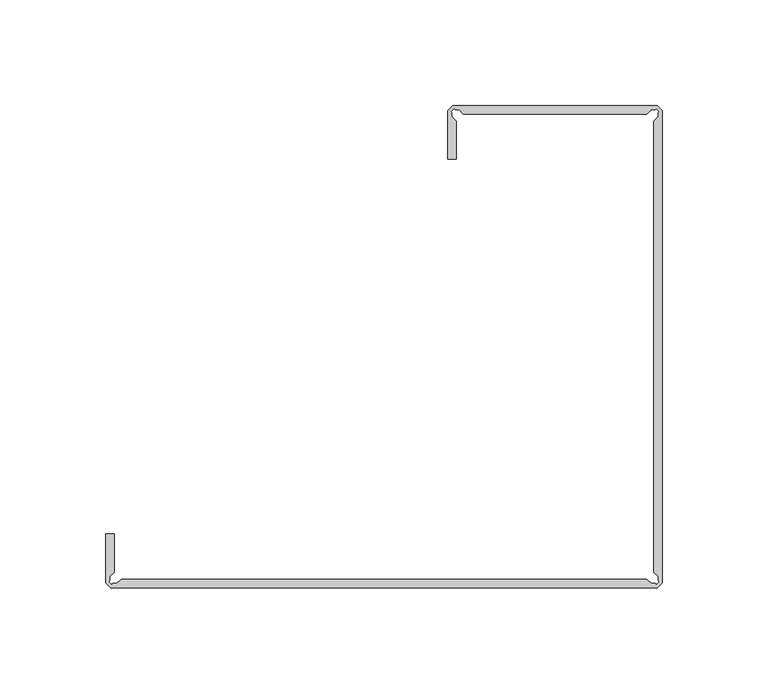
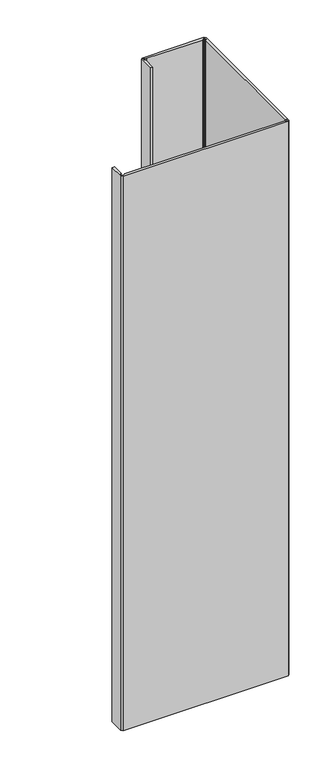
"""IFC4 building model written with IfcOpenShell, lengths in millimetres: proxy geometry."""

from ifc_helpers import new_model, si_unit, frame, origin, place, context, project, spatial, polyline, outline, extrude, source, transform, mapped, element, save


def generic_models_475c1aff(model_context):
    return source(origin(), model_context, "Body", "SweptSolid", [
        extrude(outline(polyline([(37273.296849, -23879.3717576), (37273.9296948, -23880.0046034), (37273.9296948, -23881.9094097), (37275.8943726, -23883.8740875), (37275.8943726, -23901.974067), (37271.9235637, -23901.974067), (37271.9235637, -23878.9433743), (37274.3060539, -23876.5608841), (37371.1408174, -23876.5608841), (37373.5235637, -23878.9436304), (37373.5235637, -24102.5647939), (37371.1412425, -24104.9471151), (37112.3532945, -24104.9471151), (37109.971012, -24102.5648326), (37109.971012, -24079.5343434), (37113.9416284, -24079.5343434), (37113.9416284, -24097.6343242), (37111.9769431, -24099.5990095), (37111.9769431, -24101.503807), (37111.3440921, -24102.136658), (37112.7816755, -24103.5742413), (37113.4145233, -24102.9413935), (37115.3193256, -24102.9413935), (37117.2840066, -24100.9767126), (37366.2100026, -24100.9767126), (37368.1747052, -24102.9414151), (37370.0804272, -24102.9414151), (37370.7127817, -24103.5737695), (37372.1493417, -24102.1372095), (37371.5159809, -24101.5038486), (37371.5159809, -24099.5990574), (37369.5521377, -24097.6352142), (37369.5521377, -23883.8748549), (37371.5164762, -23881.9105163), (37371.5164762, -23880.0049579), (37372.148193, -23879.3732411), (37370.7112509, -23877.936299), (37370.0799056, -23878.5676443), (37368.1743503, -23878.5676443), (37366.2102951, -23880.5316994), (37279.2367712, -23880.5316994), (37277.272089, -23878.5670173), (37275.3672874, -23878.5670173), (37274.7344384, -23877.9341683), (37273.296849, -23879.3717576)])), frame((0.0, 0.0, 1524.0), z_axis=(0.0, 0.0, 1.0), x_axis=(1.0, 0.0, 0.0)), (0.0, 0.0, 1.0), 914.4),
    ])


if __name__ == "__main__":
    model = new_model("IFC4")
    model_context = context("Model", 3, world=origin())
    ifc_project = project(units=[si_unit("LENGTHUNIT", "METRE", prefix="MILLI")], contexts=[model_context])
    site = spatial("IfcSite", under=ifc_project)
    building = spatial("IfcBuilding", under=site)
    placement = place(None, origin())
    generic_models_shape = generic_models_475c1aff(model_context)
    element("IfcBuildingElementProxy", 1, Name="Generic Models", at=placement, inside=building, context=model_context, shape_type="MappedRepresentation", body=[
        mapped(generic_models_shape, transform((0.0, 0.0, 0.0), x_axis=(1.0, 0.0, 0.0), y_axis=(0.0, 1.0, 0.0), z_axis=(0.0, 0.0, 1.0))),
    ])
    save(model, "model.ifc")
